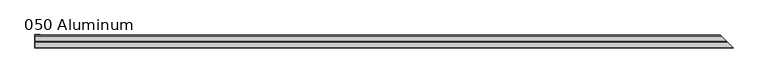
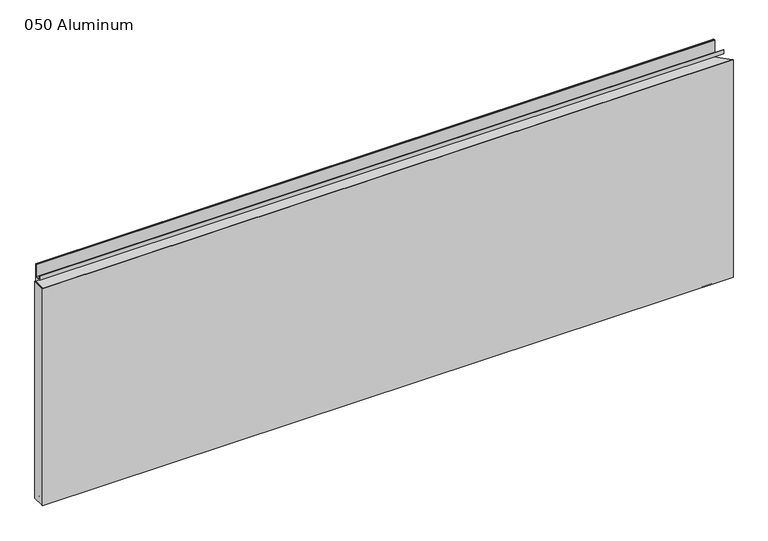
"""IFC4 building model written with IfcOpenShell, lengths in millimetres: plate geometry, 050 Aluminum."""

from ifc_helpers import new_model, si_unit, frame, origin, origin_with_axes, place, context, project, spatial, polyline, circle_curve, ellipse_curve, outline, extrude, source, transform, mapped, element, save
from ifc_brep_helpers import plane_surface, cylinder_surface, revolved_surface, advanced_brep


def plate_050_aluminum_60bee748(model_context):
    return source(origin(), model_context, "Body", "SolidModel", [
        extrude(outline(polyline([(-897.2286226, -2.5660257), (-897.2286226, -34.7980001), (-898.4986226, -34.7980001), (-898.4986226, -1.2699999), (-884.3381221, -1.2699999), (-884.3381221, -2.5660257), (-897.2286226, -2.5660257)])), origin_with_axes(), (0.0, 0.0, 1.0), 608.33),
        advanced_brep(
        [(-897.2286226, -16.6765477, 13.1458337), (-897.2286226, -16.6765477, 2.786437), (-897.2286226, -17.9464915, 2.786437), (-897.2286226, -17.9464915, 13.1323356), (-897.2286226, -21.7564743, 13.124237), (-897.2286226, -21.7564743, 0.0), (-897.2286226, -34.7980002, 0.0), (-897.2286226, -34.7980002, 1.2693678), (-897.2286226, -23.0264743, 1.2693678), (-897.2286226, -23.0264743, 13.124237), (915.1751704, -16.6765477, 13.1458337), (915.1751704, -16.6765477, 2.786437), (916.4451141, -17.9464915, 2.786437), (916.4451141, -17.9464915, 13.1323356), (920.2550969, -21.7564743, 13.124237), (920.2550969, -21.7564743, 0.0), (933.2966226, -34.798, 0.0), (933.2966228, -34.7980002, 1.2693678), (921.5250969, -23.0264743, 1.2693678), (921.5250969, -23.0264743, 13.124237)],
        [
            (0, 1),
            (1, 2),
            (2, 3),
            (3, 4, circle_curve(frame((-897.2286226, -19.8514743, 13.124237), z_axis=(1.0, 0.0, 0.0), x_axis=(0.0, 0.0, -1.0)), 1.905)),
            (4, 5),
            (5, 6),
            (6, 7),
            (7, 8),
            (8, 9),
            (9, 0, circle_curve(frame((-897.2286226, -19.8514743, 13.124237), z_axis=(-1.0, 0.0, 0.0), x_axis=(0.0, 0.0, -1.0)), 3.175)),
            (0, 10),
            (10, 11),
            (11, 1),
            (11, 12),
            (12, 2),
            (12, 13),
            (13, 3),
            (13, 14, ellipse_curve(frame((918.3500969, -19.8514743, 13.124237), z_axis=(0.707106781186549, 0.7071067811865461, 0.0), x_axis=(0.7071067811865459, -0.707106781186549, 0.0)), 2.6940768, 1.905)),
            (14, 4),
            (14, 15),
            (15, 5),
            (15, 16),
            (16, 6),
            (16, 17),
            (17, 7),
            (17, 18),
            (18, 8),
            (18, 19),
            (19, 9),
            (19, 10, ellipse_curve(frame((918.3500969, -19.8514743, 13.124237), z_axis=(-0.707106781186549, -0.7071067811865461, 0.0), x_axis=(-0.7071067811865459, 0.707106781186549, 0.0)), 4.4901281, 3.175)),
        ],
        [
            plane_surface(frame((-897.2286226, -36.068, 0.0), z_axis=(-1.0, 0.0, 0.0), x_axis=(0.0, 0.0, 1.0))),
            plane_surface(frame((-897.2286226, -16.6765477, 13.1458337), z_axis=(0.0, 1.0, 0.0), x_axis=(1.0, 0.0, 0.0))),
            plane_surface(frame((-897.2286226, -16.6765477, 2.786437), z_axis=(0.0, 0.0, -1.0), x_axis=(1.0, 0.0, 0.0))),
            plane_surface(frame((-897.2286226, -17.9464915, 2.786437), z_axis=(0.0, -1.0, 0.0), x_axis=(1.0, 0.0, 0.0))),
            revolved_surface(polyline([(920.2550969, -19.8514743, 11.219237000000001), (-897.2286226, -19.8514743, 11.219237000000001)]), (-897.2286226, -19.8514743, 13.124237), (1.0, 0.0, 0.0)),
            plane_surface(frame((-897.2286226, -21.7564743, 13.124237), z_axis=(0.0, 1.0, 0.0), x_axis=(1.0, 0.0, 0.0))),
            plane_surface(frame((-897.2286226, -21.7564743, 0.0), z_axis=(0.0, 0.0, -1.0), x_axis=(1.0, 0.0, 0.0))),
            plane_surface(frame((-897.2286226, -34.7980002, 0.0), z_axis=(0.0, -1.0, 0.0), x_axis=(1.0, 0.0, 0.0))),
            plane_surface(frame((-897.2286226, -34.7980002, 1.2693678), z_axis=(0.0, 0.0, 1.0), x_axis=(1.0, 0.0, 0.0))),
            plane_surface(frame((-897.2286226, -23.0264743, 1.2693678), z_axis=(0.0, -1.0, 0.0), x_axis=(1.0, 0.0, 0.0))),
            cylinder_surface(frame((-897.2286226, -19.8514743, 13.124237), z_axis=(-1.0, 0.0, 0.0), x_axis=(0.0, 0.0, -1.0)), 3.175),
            plane_surface(frame((898.4986226, 0.0, 795.4549971), z_axis=(0.707106781186549, 0.7071067811865461, 0.0), x_axis=(0.0, 0.0, -1.0))),
        ],
        [
            (0, [[1, 2, 3, 4, 5, 6, 7, 8, 9, 10]]),
            (1, [[-1, 11, 12, 13]]),
            (2, [[-2, -13, 14, 15]]),
            (3, [[-3, -15, 16, 17]]),
            (4, [[-4, -17, 18, 19]]),
            (5, [[-5, -19, 20, 21]]),
            (6, [[-6, -21, 22, 23]]),
            (7, [[-7, -23, 24, 25]]),
            (8, [[-8, -25, 26, 27]]),
            (9, [[-9, -27, 28, 29]]),
            (10, [[-10, -29, 30, -11]]),
            (11, [[-12, -30, -28, -26, -24, -22, -20, -18, -16, -14]]),
        ],
    ),
        advanced_brep(
        [(-897.2286226, -2.0574743, 656.7932001), (-897.2286226, -2.0574743, 608.33), (-897.2286226, -34.7980002, 608.33), (-897.2286226, -34.7980002, 609.6000001), (-897.2286226, -3.3274743, 609.6000001), (-897.2286226, -3.3274743, 656.7932001), (-897.2286226, -4.0894742, 656.7932001), (-897.2286226, -4.0894742, 622.3), (-897.2286226, -20.4864742, 622.3), (-897.2286226, -20.4864742, 633.6538), (-897.2286226, -19.2164743, 633.6538), (-897.2286226, -19.2164743, 623.57), (-897.2286226, -5.3594742, 623.57), (-897.2286226, -5.3594742, 656.7932001), (900.5560969, -2.0574743, 656.7932001), (900.5560969, -2.0574743, 608.33), (933.2966226, -34.798, 608.33), (933.2966228, -34.7980002, 609.6000001), (901.8260969, -3.3274743, 609.6000001), (901.8260969, -3.3274743, 656.7932001), (902.5880968, -4.0894742, 656.7932001), (902.5880968, -4.0894742, 622.3), (918.9850969, -20.4864742, 622.3), (918.9850969, -20.4864742, 633.6538), (917.715097, -19.2164743, 633.6538), (917.715097, -19.2164743, 623.57), (903.8580968, -5.3594742, 623.57), (903.8580968, -5.3594742, 656.7932001)],
        [
            (0, 1),
            (1, 2),
            (2, 3),
            (3, 4),
            (4, 5),
            (5, 6, circle_curve(frame((-897.2286226, -3.7084742, 656.7932001), z_axis=(1.0, 0.0, 0.0), x_axis=(0.0, 0.0, -1.0)), 0.3809999)),
            (6, 7),
            (7, 8),
            (8, 9),
            (9, 10),
            (10, 11),
            (11, 12),
            (12, 13),
            (13, 0, circle_curve(frame((-897.2286226, -3.7084742, 656.7932001), z_axis=(-1.0, 0.0, 0.0), x_axis=(0.0, 0.0, -1.0)), 1.6509999)),
            (0, 14),
            (14, 15),
            (15, 1),
            (15, 16),
            (16, 2),
            (16, 17),
            (17, 3),
            (17, 18),
            (18, 4),
            (18, 19),
            (19, 5),
            (19, 20, ellipse_curve(frame((902.2070969, -3.7084742, 656.7932001), z_axis=(0.707106781186549, 0.7071067811865461, 0.0), x_axis=(0.7071067811865459, -0.707106781186549, 0.0)), 0.5388153, 0.3809999)),
            (20, 6),
            (20, 21),
            (21, 7),
            (21, 22),
            (22, 8),
            (22, 23),
            (23, 9),
            (23, 24),
            (24, 10),
            (24, 25),
            (25, 11),
            (25, 26),
            (26, 12),
            (26, 27),
            (27, 13),
            (27, 14, ellipse_curve(frame((902.2070969, -3.7084742, 656.7932001), z_axis=(-0.707106781186549, -0.7071067811865461, 0.0), x_axis=(-0.7071067811865459, 0.707106781186549, 0.0)), 2.3348665, 1.6509999)),
        ],
        [
            plane_surface(frame((-897.2286226, -36.068, 609.6), z_axis=(-1.0, 0.0, 0.0), x_axis=(0.0, 0.0, 1.0))),
            plane_surface(frame((-897.2286226, -2.0574743, 656.7932001), z_axis=(0.0, 1.0, 0.0), x_axis=(1.0, 0.0, 0.0))),
            plane_surface(frame((-897.2286226, -2.0574743, 608.33), z_axis=(0.0, 0.0, -1.0), x_axis=(1.0, 0.0, 0.0))),
            plane_surface(frame((-897.2286226, -34.7980002, 608.33), z_axis=(0.0, -1.0, 0.0), x_axis=(1.0, 0.0, 0.0))),
            plane_surface(frame((-897.2286226, -34.7980002, 609.6000001), z_axis=(0.0, 0.0, 1.0), x_axis=(1.0, 0.0, 0.0))),
            plane_surface(frame((-897.2286226, -3.3274743, 609.6000001), z_axis=(0.0, -1.0, 0.0), x_axis=(1.0, 0.0, 0.0))),
            revolved_surface(polyline([(902.5880968524372, -3.7084742, 656.4122002), (-897.2286226, -3.7084742, 656.4122002)]), (-897.2286226, -3.7084742, 656.7932001), (1.0, 0.0, 0.0)),
            plane_surface(frame((-897.2286226, -4.0894742, 656.7932001), z_axis=(0.0, 1.0, 0.0), x_axis=(1.0, 0.0, 0.0))),
            plane_surface(frame((-897.2286226, -4.0894742, 622.3), z_axis=(0.0, 0.0, -1.0), x_axis=(1.0, 0.0, 0.0))),
            plane_surface(frame((-897.2286226, -20.4864742, 622.3), z_axis=(0.0, -1.0, 0.0), x_axis=(1.0, 0.0, 0.0))),
            plane_surface(frame((-897.2286226, -20.4864742, 633.6538), z_axis=(0.0, 0.0, 1.0), x_axis=(1.0, 0.0, 0.0))),
            plane_surface(frame((-897.2286226, -19.2164743, 633.6538), z_axis=(0.0, 1.0, 0.0), x_axis=(1.0, 0.0, 0.0))),
            plane_surface(frame((-897.2286226, -19.2164743, 623.57), z_axis=(0.0, 0.0, 1.0), x_axis=(1.0, 0.0, 0.0))),
            plane_surface(frame((-897.2286226, -5.3594742, 623.57), z_axis=(0.0, -1.0, 0.0), x_axis=(1.0, 0.0, 0.0))),
            cylinder_surface(frame((-897.2286226, -3.7084742, 656.7932001), z_axis=(-1.0, 0.0, 0.0), x_axis=(0.0, 0.0, -1.0)), 1.6509999),
            plane_surface(frame((898.4986226, 0.0, 795.4549971), z_axis=(0.707106781186549, 0.7071067811865461, 0.0), x_axis=(0.0, 0.0, -1.0))),
        ],
        [
            (0, [[1, 2, 3, 4, 5, 6, 7, 8, 9, 10, 11, 12, 13, 14]]),
            (1, [[-1, 15, 16, 17]]),
            (2, [[-2, -17, 18, 19]]),
            (3, [[-3, -19, 20, 21]]),
            (4, [[-4, -21, 22, 23]]),
            (5, [[-5, -23, 24, 25]]),
            (6, [[-6, -25, 26, 27]]),
            (7, [[-7, -27, 28, 29]]),
            (8, [[-8, -29, 30, 31]]),
            (9, [[-9, -31, 32, 33]]),
            (10, [[-10, -33, 34, 35]]),
            (11, [[-11, -35, 36, 37]]),
            (12, [[-12, -37, 38, 39]]),
            (13, [[-13, -39, 40, 41]]),
            (14, [[-14, -41, 42, -15]]),
            (15, [[-16, -42, -40, -38, -36, -34, -32, -30, -28, -26, -24, -22, -20, -18]]),
        ],
    ),
        extrude(outline(polyline([(-898.4986226, -36.068), (-898.4986226, -34.7980001), (933.2966227, -34.7980001), (934.5666226, -36.068), (-898.4986226, -36.068)])), origin_with_axes(), (0.0, 0.0, 1.0), 609.6),
    ])


if __name__ == "__main__":
    model = new_model("IFC4")
    model_context = context("Model", 3, world=origin())
    ifc_project = project(units=[si_unit("LENGTHUNIT", "METRE", prefix="MILLI")], contexts=[model_context])
    site = spatial("IfcSite", under=ifc_project)
    building = spatial("IfcBuilding", under=site)
    placement = place(None, origin())
    plate_050_aluminum_shape = plate_050_aluminum_60bee748(model_context)
    element("IfcPlate", 1, ObjectType="050 Aluminum", at=placement, inside=building, context=model_context, shape_type="MappedRepresentation", body=[
        mapped(plate_050_aluminum_shape, transform((0.0, 0.0, 0.0), x_axis=(1.0, 0.0, 0.0), y_axis=(0.0, 1.0, 0.0), z_axis=(0.0, 0.0, 1.0))),
    ])
    save(model, "model.ifc")
